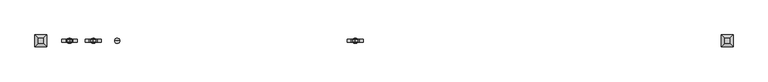
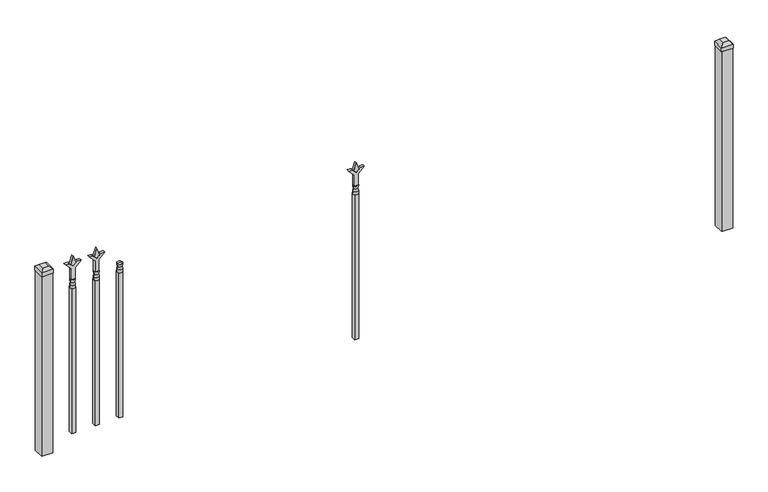
"""IFC4 building model written with IfcOpenShell, lengths in millimetres: railing geometry."""

from ifc_helpers import new_model, si_unit, frame, origin, origin_with_axes, place, context, project, spatial, polyline, circle_curve, outline, extrude, faceted_brep, source, transform, mapped, element, save
from ifc_brep_helpers import plane_surface, cylinder_surface, revolved_surface, advanced_brep


def railing_05b0793b(model_context):
    return source(origin(), model_context, "Body", "SolidModel", [
        advanced_brep(
        [(-91437.7035036, -6731.2570174, 774.7), (-91461.5160036, -6731.2570174, 774.7), (-91461.5160036, -6731.2570174, 762.0), (-91437.7035036, -6731.2570174, 762.0), (-91439.9088355, -6731.2570174, 787.2070585), (-91459.3106718, -6731.2570174, 787.2070585), (-91437.7035036, -6731.2570174, 803.275), (-91461.5160036, -6731.2570174, 803.275), (-91449.6097536, -6731.2570174, 803.275), (-91449.6097536, -6731.2570174, 762.0)],
        [
            (0, 1, circle_curve(frame((-91449.6097536, -6731.2570174, 774.7), z_axis=(0.0, 0.0, -1.0), x_axis=(-1.0, 0.0, 0.0)), 11.90625)),
            (1, 2),
            (2, 3, circle_curve(frame((-91449.6097536, -6731.2570174, 762.0), z_axis=(0.0, 0.0, 1.0), x_axis=(-1.0, 0.0, 0.0)), 11.90625)),
            (3, 0),
            (1, 0, circle_curve(frame((-91449.6097536, -6731.2570174, 774.7), z_axis=(0.0, 0.0, -1.0), x_axis=(-1.0, 0.0, 0.0)), 11.90625)),
            (3, 2, circle_curve(frame((-91449.6097536, -6731.2570174, 762.0), z_axis=(0.0, 0.0, 1.0), x_axis=(-1.0, 0.0, 0.0)), 11.90625)),
            (4, 5, circle_curve(frame((-91449.6097536, -6731.2570174, 787.2070585), z_axis=(0.0, 0.0, -1.0), x_axis=(-1.0, 0.0, 0.0)), 9.7009181)),
            (5, 1),
            (0, 4),
            (5, 4, circle_curve(frame((-91449.6097536, -6731.2570174, 787.2070585), z_axis=(0.0, 0.0, -1.0), x_axis=(-1.0, 0.0, 0.0)), 9.7009181)),
            (6, 7, circle_curve(frame((-91449.6097536, -6731.2570174, 803.275), z_axis=(0.0, 0.0, -1.0), x_axis=(-1.0, 0.0, 0.0)), 11.90625)),
            (7, 5),
            (4, 6),
            (7, 6, circle_curve(frame((-91449.6097536, -6731.2570174, 803.275), z_axis=(0.0, 0.0, -1.0), x_axis=(-1.0, 0.0, 0.0)), 11.90625)),
            (8, 7),
            (6, 8),
            (2, 9),
            (9, 3),
        ],
        [
            cylinder_surface(frame((-91449.6097536, -6731.2570174, 762.0), z_axis=(0.0, 0.0, 1.0), x_axis=(-1.0, 0.0, 0.0)), 11.90625),
            revolved_surface(polyline([(-91461.5160036, -6731.2570174, 774.7), (-91459.3106718, -6731.2570174, 787.2070585)]), (-91449.6097536, -6731.2570174, 762.0), (0.0, 0.0, 1.0)),
            revolved_surface(polyline([(-91459.3106718, -6731.2570174, 787.2070585), (-91461.5160036, -6731.2570174, 803.275)]), (-91449.6097536, -6731.2570174, 762.0), (0.0, 0.0, 1.0)),
            plane_surface(frame((-91449.6097536, -6731.2570174, 803.275), z_axis=(0.0, 0.0, 1.0), x_axis=(-1.0, 0.0, 0.0))),
            plane_surface(frame((-91449.6097536, -6731.2570174, 762.0), z_axis=(0.0, 0.0, -1.0), x_axis=(-1.0, 0.0, 0.0))),
        ],
        [
            (0, [[1, 2, 3, 4]]),
            (0, [[5, -4, 6, -2]]),
            (1, [[7, 8, -1, 9]]),
            (1, [[10, -9, -5, -8]]),
            (2, [[11, 12, -7, 13]]),
            (2, [[14, -13, -10, -12]]),
            (3, [[15, -11, 16]]),
            (3, [[-16, -14, -15]]),
            (4, [[-3, 17, 18]]),
            (4, [[-6, -18, -17]]),
        ],
    ),
        extrude(outline(polyline([(-91459.1347536, -6721.7320174), (-91440.0847536, -6721.7320174), (-91440.0847536, -6740.7820174), (-91459.1347536, -6740.7820174), (-91459.1347536, -6721.7320174)])), frame((0.0, 0.0, 50.8), z_axis=(0.0, 0.0, 1.0), x_axis=(1.0, 0.0, 0.0)), (0.0, 0.0, 1.0), 711.2),
        extrude(outline(polyline([(878.68125, -91546.9764203), (914.4, -91558.8826703), (878.68125, -91570.7889203), (866.775, -91558.8826703), (878.68125, -91546.9764203)])), frame((0.0, -6736.0195174, 0.0), z_axis=(0.0, 1.0, 0.0), x_axis=(0.0, 0.0, 1.0)), (0.0, 0.0, 1.0), 9.525),
        extrude(outline(polyline([(803.275, -91550.1514203), (857.5457378, -91550.1514203), (884.7355122, -91522.9616458), (884.7355122, -91540.9221581), (866.775, -91558.8826703), (884.7355122, -91576.8431825), (884.7355122, -91594.8036948), (857.5457378, -91567.6139203), (803.275, -91567.6139203), (803.275, -91550.1514203)])), frame((0.0, -6737.6070174, 0.0), z_axis=(0.0, 1.0, 0.0), x_axis=(0.0, 0.0, 1.0)), (0.0, 0.0, 1.0), 12.7),
        advanced_brep(
        [(-91546.9764203, -6731.2570174, 774.7), (-91570.7889203, -6731.2570174, 774.7), (-91570.7889203, -6731.2570174, 762.0), (-91546.9764203, -6731.2570174, 762.0), (-91549.1817522, -6731.2570174, 787.2070585), (-91568.5835884, -6731.2570174, 787.2070585), (-91546.9764203, -6731.2570174, 803.275), (-91570.7889203, -6731.2570174, 803.275), (-91558.8826703, -6731.2570174, 803.275), (-91558.8826703, -6731.2570174, 762.0)],
        [
            (0, 1, circle_curve(frame((-91558.8826703, -6731.2570174, 774.7), z_axis=(0.0, 0.0, -1.0), x_axis=(-1.0, 0.0, 0.0)), 11.90625)),
            (1, 2),
            (2, 3, circle_curve(frame((-91558.8826703, -6731.2570174, 762.0), z_axis=(0.0, 0.0, 1.0), x_axis=(-1.0, 0.0, 0.0)), 11.90625)),
            (3, 0),
            (1, 0, circle_curve(frame((-91558.8826703, -6731.2570174, 774.7), z_axis=(0.0, 0.0, -1.0), x_axis=(-1.0, 0.0, 0.0)), 11.90625)),
            (3, 2, circle_curve(frame((-91558.8826703, -6731.2570174, 762.0), z_axis=(0.0, 0.0, 1.0), x_axis=(-1.0, 0.0, 0.0)), 11.90625)),
            (4, 5, circle_curve(frame((-91558.8826703, -6731.2570174, 787.2070585), z_axis=(0.0, 0.0, -1.0), x_axis=(-1.0, 0.0, 0.0)), 9.7009181)),
            (5, 1),
            (0, 4),
            (5, 4, circle_curve(frame((-91558.8826703, -6731.2570174, 787.2070585), z_axis=(0.0, 0.0, -1.0), x_axis=(-1.0, 0.0, 0.0)), 9.7009181)),
            (6, 7, circle_curve(frame((-91558.8826703, -6731.2570174, 803.275), z_axis=(0.0, 0.0, -1.0), x_axis=(-1.0, 0.0, 0.0)), 11.90625)),
            (7, 5),
            (4, 6),
            (7, 6, circle_curve(frame((-91558.8826703, -6731.2570174, 803.275), z_axis=(0.0, 0.0, -1.0), x_axis=(-1.0, 0.0, 0.0)), 11.90625)),
            (8, 7),
            (6, 8),
            (2, 9),
            (9, 3),
        ],
        [
            cylinder_surface(frame((-91558.8826703, -6731.2570174, 762.0), z_axis=(0.0, 0.0, 1.0), x_axis=(-1.0, 0.0, 0.0)), 11.90625),
            revolved_surface(polyline([(-91570.7889203, -6731.2570174, 774.7), (-91568.5835884, -6731.2570174, 787.2070585)]), (-91558.8826703, -6731.2570174, 762.0), (0.0, 0.0, 1.0)),
            revolved_surface(polyline([(-91568.5835884, -6731.2570174, 787.2070585), (-91570.7889203, -6731.2570174, 803.275)]), (-91558.8826703, -6731.2570174, 762.0), (0.0, 0.0, 1.0)),
            plane_surface(frame((-91558.8826703, -6731.2570174, 803.275), z_axis=(0.0, 0.0, 1.0), x_axis=(-1.0, 0.0, 0.0))),
            plane_surface(frame((-91558.8826703, -6731.2570174, 762.0), z_axis=(0.0, 0.0, -1.0), x_axis=(-1.0, 0.0, 0.0))),
        ],
        [
            (0, [[1, 2, 3, 4]]),
            (0, [[5, -4, 6, -2]]),
            (1, [[7, 8, -1, 9]]),
            (1, [[10, -9, -5, -8]]),
            (2, [[11, 12, -7, 13]]),
            (2, [[14, -13, -10, -12]]),
            (3, [[15, -11, 16]]),
            (3, [[-16, -14, -15]]),
            (4, [[-3, 17, 18]]),
            (4, [[-6, -18, -17]]),
        ],
    ),
        extrude(outline(polyline([(-91568.4076703, -6721.7320174), (-91549.3576703, -6721.7320174), (-91549.3576703, -6740.7820174), (-91568.4076703, -6740.7820174), (-91568.4076703, -6721.7320174)])), frame((0.0, 0.0, 50.8), z_axis=(0.0, 0.0, 1.0), x_axis=(1.0, 0.0, 0.0)), (0.0, 0.0, 1.0), 711.2),
        extrude(outline(polyline([(878.68125, -90344.974337), (914.4, -90356.880587), (878.68125, -90368.786837), (866.775, -90356.880587), (878.68125, -90344.974337)])), frame((0.0, -6736.0195174, 0.0), z_axis=(0.0, 1.0, 0.0), x_axis=(0.0, 0.0, 1.0)), (0.0, 0.0, 1.0), 9.525),
        extrude(outline(polyline([(803.275, -90348.149337), (857.5457378, -90348.149337), (884.7355122, -90320.9595625), (884.7355122, -90338.9200747), (866.775, -90356.880587), (884.7355122, -90374.8410992), (884.7355122, -90392.8016114), (857.5457378, -90365.611837), (803.275, -90365.611837), (803.275, -90348.149337)])), frame((0.0, -6737.6070174, 0.0), z_axis=(0.0, 1.0, 0.0), x_axis=(0.0, 0.0, 1.0)), (0.0, 0.0, 1.0), 12.7),
        advanced_brep(
        [(-90344.974337, -6731.2570174, 774.7), (-90368.786837, -6731.2570174, 774.7), (-90368.786837, -6731.2570174, 762.0), (-90344.974337, -6731.2570174, 762.0), (-90347.1796688, -6731.2570174, 787.2070585), (-90366.5815051, -6731.2570174, 787.2070585), (-90344.974337, -6731.2570174, 803.275), (-90368.786837, -6731.2570174, 803.275), (-90356.880587, -6731.2570174, 803.275), (-90356.880587, -6731.2570174, 762.0)],
        [
            (0, 1, circle_curve(frame((-90356.880587, -6731.2570174, 774.7), z_axis=(0.0, 0.0, -1.0), x_axis=(-1.0, 0.0, 0.0)), 11.90625)),
            (1, 2),
            (2, 3, circle_curve(frame((-90356.880587, -6731.2570174, 762.0), z_axis=(0.0, 0.0, 1.0), x_axis=(-1.0, 0.0, 0.0)), 11.90625)),
            (3, 0),
            (1, 0, circle_curve(frame((-90356.880587, -6731.2570174, 774.7), z_axis=(0.0, 0.0, -1.0), x_axis=(-1.0, 0.0, 0.0)), 11.90625)),
            (3, 2, circle_curve(frame((-90356.880587, -6731.2570174, 762.0), z_axis=(0.0, 0.0, 1.0), x_axis=(-1.0, 0.0, 0.0)), 11.90625)),
            (4, 5, circle_curve(frame((-90356.880587, -6731.2570174, 787.2070585), z_axis=(0.0, 0.0, -1.0), x_axis=(-1.0, 0.0, 0.0)), 9.7009181)),
            (5, 1),
            (0, 4),
            (5, 4, circle_curve(frame((-90356.880587, -6731.2570174, 787.2070585), z_axis=(0.0, 0.0, -1.0), x_axis=(-1.0, 0.0, 0.0)), 9.7009181)),
            (6, 7, circle_curve(frame((-90356.880587, -6731.2570174, 803.275), z_axis=(0.0, 0.0, -1.0), x_axis=(-1.0, 0.0, 0.0)), 11.90625)),
            (7, 5),
            (4, 6),
            (7, 6, circle_curve(frame((-90356.880587, -6731.2570174, 803.275), z_axis=(0.0, 0.0, -1.0), x_axis=(-1.0, 0.0, 0.0)), 11.90625)),
            (8, 7),
            (6, 8),
            (2, 9),
            (9, 3),
        ],
        [
            cylinder_surface(frame((-90356.880587, -6731.2570174, 762.0), z_axis=(0.0, 0.0, 1.0), x_axis=(-1.0, 0.0, 0.0)), 11.90625),
            revolved_surface(polyline([(-90368.786837, -6731.2570174, 774.7), (-90366.5815051, -6731.2570174, 787.2070585)]), (-90356.880587, -6731.2570174, 762.0), (0.0, 0.0, 1.0)),
            revolved_surface(polyline([(-90366.5815051, -6731.2570174, 787.2070585), (-90368.786837, -6731.2570174, 803.275)]), (-90356.880587, -6731.2570174, 762.0), (0.0, 0.0, 1.0)),
            plane_surface(frame((-90356.880587, -6731.2570174, 803.275), z_axis=(0.0, 0.0, 1.0), x_axis=(-1.0, 0.0, 0.0))),
            plane_surface(frame((-90356.880587, -6731.2570174, 762.0), z_axis=(0.0, 0.0, -1.0), x_axis=(-1.0, 0.0, 0.0))),
        ],
        [
            (0, [[1, 2, 3, 4]]),
            (0, [[5, -4, 6, -2]]),
            (1, [[7, 8, -1, 9]]),
            (1, [[10, -9, -5, -8]]),
            (2, [[11, 12, -7, 13]]),
            (2, [[14, -13, -10, -12]]),
            (3, [[15, -11, 16]]),
            (3, [[-16, -14, -15]]),
            (4, [[-3, 17, 18]]),
            (4, [[-6, -18, -17]]),
        ],
    ),
        extrude(outline(polyline([(-90366.405587, -6721.7320174), (-90347.355587, -6721.7320174), (-90347.355587, -6740.7820174), (-90366.405587, -6740.7820174), (-90366.405587, -6721.7320174)])), frame((0.0, 0.0, 50.8), z_axis=(0.0, 0.0, 1.0), x_axis=(1.0, 0.0, 0.0)), (0.0, 0.0, 1.0), 711.2),
        extrude(outline(polyline([(878.68125, -91656.249337), (914.4, -91668.155587), (878.68125, -91680.061837), (866.775, -91668.155587), (878.68125, -91656.249337)])), frame((0.0, -6736.0195174, 0.0), z_axis=(0.0, 1.0, 0.0), x_axis=(0.0, 0.0, 1.0)), (0.0, 0.0, 1.0), 9.525),
        extrude(outline(polyline([(803.275, -91659.424337), (857.5457378, -91659.424337), (884.7355122, -91632.2345625), (884.7355122, -91650.1950747), (866.775, -91668.155587), (884.7355122, -91686.1160992), (884.7355122, -91704.0766114), (857.5457378, -91676.886837), (803.275, -91676.886837), (803.275, -91659.424337)])), frame((0.0, -6737.6070174, 0.0), z_axis=(0.0, 1.0, 0.0), x_axis=(0.0, 0.0, 1.0)), (0.0, 0.0, 1.0), 12.7),
        advanced_brep(
        [(-91656.249337, -6731.2570174, 774.7), (-91680.061837, -6731.2570174, 774.7), (-91680.061837, -6731.2570174, 762.0), (-91656.249337, -6731.2570174, 762.0), (-91658.4546688, -6731.2570174, 787.2070585), (-91677.8565051, -6731.2570174, 787.2070585), (-91656.249337, -6731.2570174, 803.275), (-91680.061837, -6731.2570174, 803.275), (-91668.155587, -6731.2570174, 803.275), (-91668.155587, -6731.2570174, 762.0)],
        [
            (0, 1, circle_curve(frame((-91668.155587, -6731.2570174, 774.7), z_axis=(0.0, 0.0, -1.0), x_axis=(-1.0, 0.0, 0.0)), 11.90625)),
            (1, 2),
            (2, 3, circle_curve(frame((-91668.155587, -6731.2570174, 762.0), z_axis=(0.0, 0.0, 1.0), x_axis=(-1.0, 0.0, 0.0)), 11.90625)),
            (3, 0),
            (1, 0, circle_curve(frame((-91668.155587, -6731.2570174, 774.7), z_axis=(0.0, 0.0, -1.0), x_axis=(-1.0, 0.0, 0.0)), 11.90625)),
            (3, 2, circle_curve(frame((-91668.155587, -6731.2570174, 762.0), z_axis=(0.0, 0.0, 1.0), x_axis=(-1.0, 0.0, 0.0)), 11.90625)),
            (4, 5, circle_curve(frame((-91668.155587, -6731.2570174, 787.2070585), z_axis=(0.0, 0.0, -1.0), x_axis=(-1.0, 0.0, 0.0)), 9.7009181)),
            (5, 1),
            (0, 4),
            (5, 4, circle_curve(frame((-91668.155587, -6731.2570174, 787.2070585), z_axis=(0.0, 0.0, -1.0), x_axis=(-1.0, 0.0, 0.0)), 9.7009181)),
            (6, 7, circle_curve(frame((-91668.155587, -6731.2570174, 803.275), z_axis=(0.0, 0.0, -1.0), x_axis=(-1.0, 0.0, 0.0)), 11.90625)),
            (7, 5),
            (4, 6),
            (7, 6, circle_curve(frame((-91668.155587, -6731.2570174, 803.275), z_axis=(0.0, 0.0, -1.0), x_axis=(-1.0, 0.0, 0.0)), 11.90625)),
            (8, 7),
            (6, 8),
            (2, 9),
            (9, 3),
        ],
        [
            cylinder_surface(frame((-91668.155587, -6731.2570174, 762.0), z_axis=(0.0, 0.0, 1.0), x_axis=(-1.0, 0.0, 0.0)), 11.90625),
            revolved_surface(polyline([(-91680.061837, -6731.2570174, 774.7), (-91677.8565051, -6731.2570174, 787.2070585)]), (-91668.155587, -6731.2570174, 762.0), (0.0, 0.0, 1.0)),
            revolved_surface(polyline([(-91677.8565051, -6731.2570174, 787.2070585), (-91680.061837, -6731.2570174, 803.275)]), (-91668.155587, -6731.2570174, 762.0), (0.0, 0.0, 1.0)),
            plane_surface(frame((-91668.155587, -6731.2570174, 803.275), z_axis=(0.0, 0.0, 1.0), x_axis=(-1.0, 0.0, 0.0))),
            plane_surface(frame((-91668.155587, -6731.2570174, 762.0), z_axis=(0.0, 0.0, -1.0), x_axis=(-1.0, 0.0, 0.0))),
        ],
        [
            (0, [[1, 2, 3, 4]]),
            (0, [[5, -4, 6, -2]]),
            (1, [[7, 8, -1, 9]]),
            (1, [[10, -9, -5, -8]]),
            (2, [[11, 12, -7, 13]]),
            (2, [[14, -13, -10, -12]]),
            (3, [[15, -11, 16]]),
            (3, [[-16, -14, -15]]),
            (4, [[-3, 17, 18]]),
            (4, [[-6, -18, -17]]),
        ],
    ),
        extrude(outline(polyline([(-91677.680587, -6721.7320174), (-91658.630587, -6721.7320174), (-91658.630587, -6740.7820174), (-91677.680587, -6740.7820174), (-91677.680587, -6721.7320174)])), frame((0.0, 0.0, 50.8), z_axis=(0.0, 0.0, 1.0), x_axis=(1.0, 0.0, 0.0)), (0.0, 0.0, 1.0), 711.2),
        faceted_brep([(-88677.305587, -6704.2695174, 901.7), (-88677.305587, -6704.2695174, 882.65), (-88677.305587, -6758.2445174, 882.65), (-88677.305587, -6758.2445174, 901.7), (-88664.605587, -6716.9695174, 914.4), (-88664.605587, -6745.5445174, 914.4), (-88623.330587, -6758.2445174, 882.65), (-88623.330587, -6758.2445174, 901.7), (-88636.030587, -6745.5445174, 914.4), (-88623.330587, -6704.2695174, 882.65), (-88623.330587, -6704.2695174, 901.7), (-88636.030587, -6716.9695174, 914.4)], [[[0, 1, 2, 3]], [[4, 0, 3, 5]], [[3, 2, 6, 7]], [[5, 3, 7, 8]], [[7, 6, 9, 10]], [[8, 7, 10, 11]], [[10, 9, 1, 0]], [[11, 10, 0, 4]], [[5, 8, 11, 4]], [[1, 9, 6, 2]]]),
        extrude(outline(polyline([(-88624.918087, -6705.8570174), (-88624.918087, -6756.6570174), (-88675.718087, -6756.6570174), (-88675.718087, -6705.8570174), (-88624.918087, -6705.8570174)])), origin_with_axes(), (0.0, 0.0, 1.0), 882.65),
        faceted_brep([(-91826.905587, -6704.2695174, 901.7), (-91826.905587, -6704.2695174, 882.65), (-91826.905587, -6758.2445174, 882.65), (-91826.905587, -6758.2445174, 901.7), (-91814.205587, -6716.9695174, 914.4), (-91814.205587, -6745.5445174, 914.4), (-91772.930587, -6758.2445174, 882.65), (-91772.930587, -6758.2445174, 901.7), (-91785.630587, -6745.5445174, 914.4), (-91772.930587, -6704.2695174, 882.65), (-91772.930587, -6704.2695174, 901.7), (-91785.630587, -6716.9695174, 914.4)], [[[0, 1, 2, 3]], [[4, 0, 3, 5]], [[3, 2, 6, 7]], [[5, 3, 7, 8]], [[7, 6, 9, 10]], [[8, 7, 10, 11]], [[10, 9, 1, 0]], [[11, 10, 0, 4]], [[5, 8, 11, 4]], [[1, 9, 6, 2]]]),
        extrude(outline(polyline([(-91774.518087, -6705.8570174), (-91774.518087, -6756.6570174), (-91825.318087, -6756.6570174), (-91825.318087, -6705.8570174), (-91774.518087, -6705.8570174)])), origin_with_axes(), (0.0, 0.0, 1.0), 882.65),
    ])


if __name__ == "__main__":
    model = new_model("IFC4")
    model_context = context("Model", 3, world=origin())
    ifc_project = project(units=[si_unit("LENGTHUNIT", "METRE", prefix="MILLI")], contexts=[model_context])
    site = spatial("IfcSite", under=ifc_project)
    building = spatial("IfcBuilding", under=site)
    placement = place(None, origin())
    railing_shape = railing_05b0793b(model_context)
    element("IfcRailing", 1, at=placement, inside=building, context=model_context, shape_type="MappedRepresentation", body=[
        mapped(railing_shape, transform((0.0, 0.0, 0.0), x_axis=(1.0, 0.0, 0.0), y_axis=(0.0, 1.0, 0.0), z_axis=(0.0, 0.0, 1.0))),
    ])
    save(model, "model.ifc")
